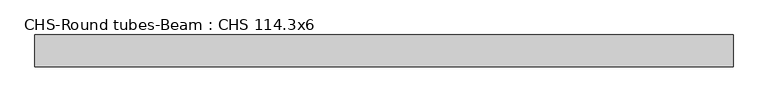
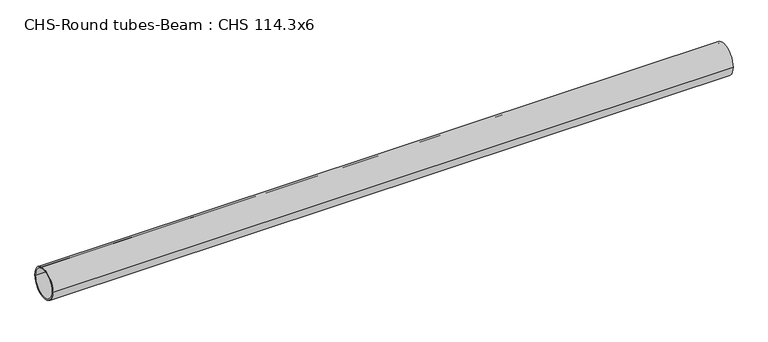
"""IFC4 building model written with IfcOpenShell, lengths in millimetres: beam geometry, CHS-Round tubes-Beam : CHS 114.3x6."""

from ifc_helpers import new_model, si_unit, point, frame, origin, origin_2d, place, context, project, spatial, circle_curve, trimmed, segment, composite_curve, outline, extrude, source, transform, mapped, element, save


def chs_round_tubes_beam_chs_114_3x6_84150be9(model_context):
    return source(origin(), model_context, "Body", "SweptSolid", [
        extrude(outline(composite_curve([segment(trimmed(circle_curve(origin_2d(), 57.15), [point((57.15, 0.0))], [point((-57.15, 0.0))], False, "CARTESIAN"), True, "CONTINUOUS"), segment(trimmed(circle_curve(origin_2d(), 57.15), [point((-57.15, 0.0))], [point((57.15, 0.0))], False, "CARTESIAN"), True, "CONTINUOUS")], self_intersect=False), holes=[composite_curve([segment(trimmed(circle_curve(origin_2d(), 51.15), [point((51.15, 0.0))], [point((-51.15, 0.0))], True, "CARTESIAN"), True, "CONTINUOUS"), segment(trimmed(circle_curve(origin_2d(), 51.15), [point((-51.15, 0.0))], [point((51.15, 0.0))], True, "CARTESIAN"), True, "CONTINUOUS")], self_intersect=False)]), frame((-1196.8572652, 0.0, 0.0), z_axis=(1.0, 0.0, 0.0), x_axis=(0.0, 1.0, 0.0)), (0.0, 0.0, 1.0), 2499.7579362),
    ])


if __name__ == "__main__":
    model = new_model("IFC4")
    model_context = context("Model", 3, world=origin())
    ifc_project = project(units=[si_unit("LENGTHUNIT", "METRE", prefix="MILLI")], contexts=[model_context])
    site = spatial("IfcSite", under=ifc_project)
    building = spatial("IfcBuilding", under=site)
    placement = place(None, origin())
    chs_round_tubes_beam_chs_114_3x6_shape = chs_round_tubes_beam_chs_114_3x6_84150be9(model_context)
    element("IfcBeam", 1, ObjectType="CHS-Round tubes-Beam : CHS 114.3x6", at=placement, inside=building, context=model_context, shape_type="MappedRepresentation", body=[
        mapped(chs_round_tubes_beam_chs_114_3x6_shape, transform((0.0, 0.0, 0.0), x_axis=(1.0, 0.0, 0.0), y_axis=(0.0, 1.0, 0.0), z_axis=(0.0, 0.0, 1.0))),
    ])
    save(model, "model.ifc")
